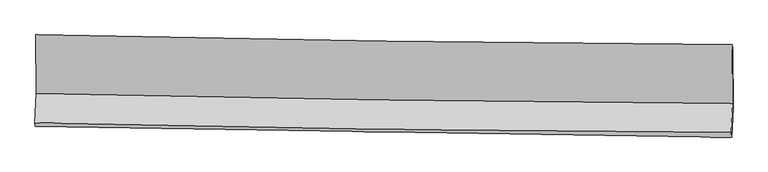
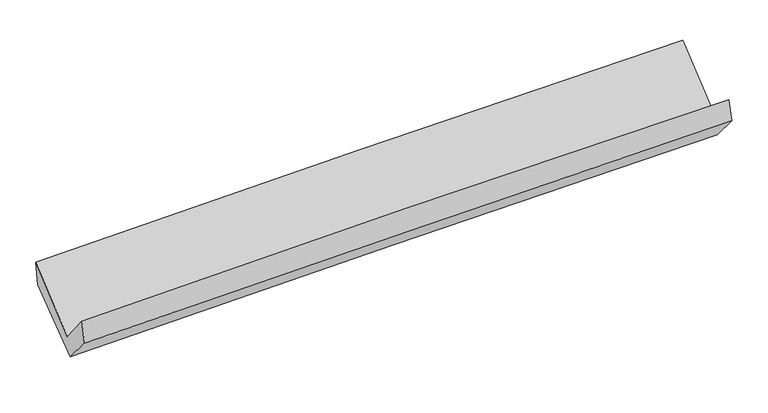
"""IFC4 building model written with IfcOpenShell, lengths in millimetres: proxy geometry."""

from ifc_helpers import new_model, si_unit, frame, origin, place, context, project, spatial, source, transform, mapped, element, save
from ifc_brep_helpers import plane_surface, spline_curve, spline_surface, advanced_brep


def generic_models_23eb02a2(model_context):
    return source(origin(), model_context, "Body", "AdvancedBrep", [
        advanced_brep(
        [(-3008.832707, -1166.2561809, 2165.2866806), (-3004.3910449, -1671.7301845, 1733.6704391), (2996.212802, -1760.7915765, 1878.6163899), (2992.6498726, -1249.8806406, 2309.4177045), (-3016.4115129, -1926.7547104, 2046.2099543), (2984.4275754, -2010.7820777, 2185.2335515), (-3011.5220343, -1958.9951595, 1847.402605), (2988.6789365, -2050.8566682, 1999.534789), (-3000.3286227, -1712.4434873, 1561.1502656), (3000.1795549, -1797.7080322, 1705.6232916), (-3003.7096542, -1193.1493397, 1960.6128026), (2997.224359, -1290.1524118, 2111.247124)],
        [
            (0, 1),
            (1, 2, spline_curve(3, [(-3004.3910449, -1671.7301845, 1733.6704391), (-2004.849041882, -1694.032756228, 1775.464476847), (-1005.034669097, -1712.605773324, 1808.440279637), (995.166598149, -1742.293111231, 1856.756086666), (1995.553507537, -1753.407224687, 1872.095600698), (2996.212802, -1760.7915765, 1878.6163899)], [4, 2, 4], [0.0, 9.848381873421362, 19.697037337284627])),
            (2, 3),
            (3, 0, spline_curve(3, [(2992.6498726, -1249.8806406, 2309.4177045), (1991.889045394, -1243.096572544, 2301.480778771), (991.378140392, -1232.735686968, 2285.501118763), (-1009.11603887, -1204.860668214, 2237.456997566), (-2009.099326943, -1187.346733937, 2205.392982762), (-3008.832707, -1166.2561809, 2165.2866806)], [4, 2, 4], [0.0, 9.848655463863265, 19.697037337284627])),
            (1, 4),
            (4, 5, spline_curve(3, [(-3016.4115129, -1926.7547104, 2046.2099543), (-2016.964806955, -1951.118419814, 2090.488824397), (-1017.178480745, -1970.302529805, 2124.213544984), (983.101196287, -1998.311940043, 2170.555330701), (1983.594566076, -2007.136952552, 2183.171809225), (2984.4275754, -2010.7820777, 2185.2335515)], [4, 2, 4], [0.0, 9.847902609151019, 19.696078795429862])),
            (5, 2),
            (4, 6),
            (6, 7, spline_curve(3, [(-3011.5220343, -1958.9951595, 1847.402605), (-2011.612231215, -1973.225006644, 1878.684862404), (-1011.647528051, -1987.99494236, 1907.003538237), (988.419459438, -2018.615414956, 1957.714431134), (1988.521746419, -2034.46598254, 1980.106483278), (2988.6789365, -2050.8566682, 1999.534789)], [4, 2, 4], [0.0, 9.847439728783026, 19.695153021834948])),
            (7, 5),
            (6, 8),
            (8, 9, spline_curve(3, [(-3000.3286227, -1712.4434873, 1561.1502656), (-2000.368230423, -1725.58657727, 1591.170784964), (-1000.352632185, -1739.263394739, 1618.220337849), (999.816756995, -1767.684880034, 1666.37817806), (1999.970551646, -1782.42957735, 1687.48630093), (3000.1795549, -1797.7080322, 1705.6232916)], [4, 2, 4], [0.0, 9.847094961808157, 19.694463478307497])),
            (9, 7),
            (8, 10),
            (10, 11, spline_curve(3, [(-3003.7096542, -1193.1493397, 1960.6128026), (-2003.788744918, -1212.159658046, 1993.705918246), (-1003.757403479, -1229.748313872, 2022.805217049), (996.553927861, -1262.082750251, 2073.016879588), (1996.833924241, -1276.82845154, 2094.129020914), (2997.224359, -1290.1524118, 2111.247124)], [4, 2, 4], [0.0, 9.847747538447905, 19.69576864971573])),
            (11, 9),
            (10, 0),
            (3, 11),
        ],
        [
            spline_surface(3, 3, [[(-3008.832707, -1166.2561809, 2165.2866806), (-2009.099327025, -1187.346733884, 2205.392982821), (-1009.116038895, -1204.860668269, 2237.456997422), (991.378140416, -1232.735686913, 2285.501118907), (1991.889045494, -1243.096572383, 2301.480778915), (2992.6498726, -1249.8806406, 2309.4177045)], [(-3007.352152961, -1334.747515445, 2021.414600085), (-2007.68256527, -1356.24207465, 2062.083480831), (-1007.755582289, -1374.10903665, 2094.45142483), (992.640959639, -1402.588161709, 2142.58610812), (1993.110532899, -1413.200123144, 2158.352386163), (2993.837515739, -1420.18428589, 2165.817266286)], [(-3005.871598939, -1503.238849955, 1877.542519615), (-2006.265803533, -1525.13741538, 1918.773978885), (-1006.395125661, -1543.357404952, 1951.445852294), (993.903778884, -1572.440636425, 1999.671097388), (1994.332020288, -1583.303673935, 2015.223993453), (2995.025158861, -1590.48793121, 2022.216828114)], [(-3004.3910449, -1671.7301845, 1733.6704391), (-2004.849041779, -1694.032756146, 1775.464476895), (-1005.034669055, -1712.605773334, 1808.440279702), (995.166598107, -1742.293111221, 1856.756086601), (1995.553507693, -1753.407224697, 1872.0956007), (2996.212802, -1760.7915765, 1878.6163899)]], [4, 4], [4, 2, 4], [0.0, 2.182881669827419], [0.0, 9.848381873421362, 19.697037337284627]),
            spline_surface(3, 3, [[(-3004.3910449, -1671.7301845, 1733.6704391), (-2004.849041779, -1694.032756146, 1775.464476895), (-1005.034669055, -1712.605773334, 1808.440279702), (995.166598107, -1742.293111221, 1856.756086601), (1995.553507693, -1753.407224697, 1872.0956007), (2996.212802, -1760.7915765, 1878.6163899)], [(-3008.3978676, -1756.738359807, 1837.850277515), (-2008.887630245, -1779.727977364, 1880.472592793), (-1009.082606321, -1798.504692143, 1913.698034841), (991.144797539, -1827.632720801, 1961.355834595), (1991.567193867, -1837.983800602, 1975.787670161), (2992.28439313, -1844.121743554, 1980.822110433)], [(-3012.4046902, -1841.746535093, 1942.030115885), (-2012.926218612, -1865.423198563, 1985.480708646), (-1013.130543591, -1884.403611015, 2018.95578997), (987.122996967, -1912.972330444, 2065.955582581), (1987.580880053, -1922.560376545, 2079.479739622), (2988.35598427, -1927.451910646, 2083.027830967)], [(-3016.4115129, -1926.7547104, 2046.2099543), (-2016.964807078, -1951.118419781, 2090.488824544), (-1017.178480857, -1970.302529824, 2124.213545109), (983.101196398, -1998.311940025, 2170.555330575), (1983.594566227, -2007.136952451, 2183.171809082), (2984.4275754, -2010.7820777, 2185.2335515)]], [4, 4], [4, 2, 4], [0.0, 1.333542583484225], [0.0, 9.847902609151019, 19.696078795429862]),
            spline_surface(3, 3, [[(-3016.4115129, -1926.7547104, 2046.2099543), (-2016.964807078, -1951.118419781, 2090.488824544), (-1017.178480857, -1970.302529824, 2124.213545109), (983.101196398, -1998.311940025, 2170.555330575), (1983.594566227, -2007.136952451, 2183.171809082), (2984.4275754, -2010.7820777, 2185.2335515)], [(-3014.781686676, -1937.501526753, 1979.940837881), (-2015.18061507, -1958.487282067, 2019.887503872), (-1015.33482988, -1976.200000613, 2051.810209517), (984.873950693, -2005.07976505, 2099.60836404), (1985.236959599, -2016.24662914, 2115.483367104), (2985.844695759, -2024.140274555, 2123.333963995)], [(-3013.151860524, -1948.248343147, 1913.671721419), (-2013.396423134, -1965.856144394, 1949.286183156), (-1013.491178887, -1982.097471414, 1979.406873958), (986.646705004, -2011.847590088, 2028.661397539), (1986.879352993, -2025.356305764, 2047.794925143), (2987.261816141, -2037.498471345, 2061.434376505)], [(-3011.5220343, -1958.9951595, 1847.402605), (-2011.612231126, -1973.22500668, 1878.684862483), (-1011.647527911, -1987.994942203, 1907.003538366), (988.419459298, -2018.615415113, 1957.714431005), (1988.521746365, -2034.465982454, 1980.106483166), (2988.6789365, -2050.8566682, 1999.534789)]], [4, 4], [4, 2, 4], [0.0, 0.7084355881848928], [0.0, 9.847439728783026, 19.695153021834948]),
            spline_surface(3, 3, [[(-3011.5220343, -1958.9951595, 1847.402605), (-2011.612231126, -1973.22500668, 1878.684862483), (-1011.647527911, -1987.994942203, 1907.003538366), (988.419459298, -2018.615415113, 1957.714431005), (1988.521746365, -2034.465982454, 1980.106483166), (2988.6789365, -2050.8566682, 1999.534789)], [(-3007.790897115, -1876.811268756, 1751.985158524), (-2007.864230863, -1890.678863501, 1782.846836689), (-1007.882562706, -1905.084426386, 1810.742471513), (992.218558594, -1934.971903438, 1860.602346736), (1992.338014814, -1950.453847439, 1882.566422403), (2992.512475975, -1966.473789526, 1901.564289866)], [(-3004.059759885, -1794.627378044, 1656.567712076), (-2004.116230557, -1808.132720352, 1687.008810923), (-1004.117597541, -1822.173910536, 1714.481404611), (996.01765785, -1851.328391729, 1763.490262419), (1996.15428324, -1866.441712445, 1785.026361641), (2996.346015425, -1882.090910874, 1803.593790734)], [(-3000.3286227, -1712.4434873, 1561.1502656), (-2000.368230295, -1725.586577173, 1591.170785128), (-1000.352632336, -1739.26339472, 1618.220337759), (999.816757146, -1767.684880053, 1666.37817815), (1999.97055169, -1782.42957743, 1687.486300878), (3000.1795549, -1797.7080322, 1705.6232916)]], [4, 4], [4, 2, 4], [0.0, 1.2565186939978021], [0.0, 9.847094961808157, 19.694463478307497]),
            spline_surface(3, 3, [[(-3000.3286227, -1712.4434873, 1561.1502656), (-2000.368230295, -1725.586577173, 1591.170785128), (-1000.352632336, -1739.26339472, 1618.220337759), (999.816757146, -1767.684880053, 1666.37817815), (1999.97055169, -1782.42957743, 1687.486300878), (3000.1795549, -1797.7080322, 1705.6232916)], [(-3001.45563318, -1539.345438116, 1694.30444459), (-2001.508401868, -1554.444270782, 1725.349162802), (-1001.487556113, -1569.425034447, 1753.081964228), (998.729147399, -1599.150836786, 1801.924411944), (1998.9250092, -1613.895868835, 1823.033874257), (2999.194489581, -1628.522825387, 1840.831235734)], [(-3002.58264372, -1366.247388884, 1827.45862361), (-2002.648573504, -1383.301964343, 1859.527540504), (-1002.622479818, -1399.58667416, 1887.943590666), (997.641537724, -1430.616793503, 1937.470645707), (1997.879466767, -1445.362160279, 1958.581447635), (2998.209424319, -1459.337618613, 1976.039179866)], [(-3003.7096542, -1193.1493397, 1960.6128026), (-2003.788745077, -1212.159657952, 1993.705918178), (-1003.757403596, -1229.748313888, 2022.805217135), (996.553927978, -1262.082750235, 2073.016879501), (1996.833924277, -1276.828451683, 2094.129021015), (2997.224359, -1290.1524118, 2111.247124)]], [4, 4], [4, 2, 4], [0.0, 2.1316567511079456], [0.0, 9.847747538447905, 19.69576864971573]),
            spline_surface(3, 3, [[(-3003.7096542, -1193.1493397, 1960.6128026), (-2003.788745077, -1212.159657952, 1993.705918178), (-1003.757403596, -1229.748313888, 2022.805217135), (996.553927978, -1262.082750235, 2073.016879501), (1996.833924277, -1276.828451683, 2094.129021015), (2997.224359, -1290.1524118, 2111.247124)], [(-3005.41733847, -1184.184953423, 2028.837428605), (-2005.558939063, -1203.888683253, 2064.268273064), (-1005.54361534, -1221.452431997, 2094.355810564), (994.828665479, -1252.300395777, 2143.844959303), (1995.185631366, -1265.584491937, 2163.246273668), (2995.699530217, -1276.728488088, 2177.303984186)], [(-3007.12502273, -1175.220567177, 2097.062054595), (-2007.329133039, -1195.617708584, 2134.830627935), (-1007.329827151, -1213.15655016, 2165.906403993), (993.103402914, -1242.518041372, 2214.673039105), (1993.537338405, -1254.340532128, 2232.363526262), (2994.174701383, -1263.304564312, 2243.360844314)], [(-3008.832707, -1166.2561809, 2165.2866806), (-2009.099327025, -1187.346733884, 2205.392982821), (-1009.116038895, -1204.860668269, 2237.456997422), (991.378140416, -1232.735686913, 2285.501118907), (1991.889045494, -1243.096572383, 2301.480778915), (2992.6498726, -1249.8806406, 2309.4177045)]], [4, 4], [4, 2, 4], [0.0, 0.7065194046039173], [0.0, 9.848655815164259, 19.69758522838059]),
            plane_surface(frame((2993.2288501, -1693.3619012, 2031.6121417), z_axis=(0.9995448823239148, -0.015066456775280672, 0.026134844562568354), x_axis=(-0.004548328136829258, 0.7811764578926561, 0.6242937244161941))),
            plane_surface(frame((-3007.532596, -1604.888177, 1885.7221245), z_axis=(-0.9995382171325773, 0.014169865305639726, -0.02688061399315617), x_axis=(0.024809369814641886, -0.13023530066334907, -0.9911726699372454))),
        ],
        [
            (0, [[1, 2, 3, 4]]),
            (1, [[5, 6, 7, -2]]),
            (2, [[8, 9, 10, -6]]),
            (3, [[11, 12, 13, -9]]),
            (4, [[14, 15, 16, -12]]),
            (5, [[17, -4, 18, -15]]),
            (6, [[-16, -18, -3, -7, -10, -13]]),
            (7, [[-17, -14, -11, -8, -5, -1]]),
        ],
    ),
    ])


if __name__ == "__main__":
    model = new_model("IFC4")
    model_context = context("Model", 3, world=origin())
    ifc_project = project(units=[si_unit("LENGTHUNIT", "METRE", prefix="MILLI")], contexts=[model_context])
    site = spatial("IfcSite", under=ifc_project)
    building = spatial("IfcBuilding", under=site)
    placement = place(None, origin())
    generic_models_shape = generic_models_23eb02a2(model_context)
    element("IfcBuildingElementProxy", 1, Name="Generic Models", at=placement, inside=building, context=model_context, shape_type="MappedRepresentation", body=[
        mapped(generic_models_shape, transform((0.0, 0.0, 0.0), x_axis=(1.0, 0.0, 0.0), y_axis=(0.0, 1.0, 0.0), z_axis=(0.0, 0.0, 1.0))),
    ])
    save(model, "model.ifc")
